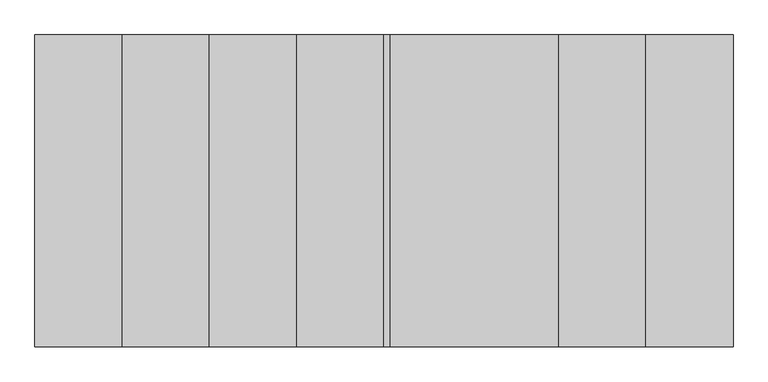
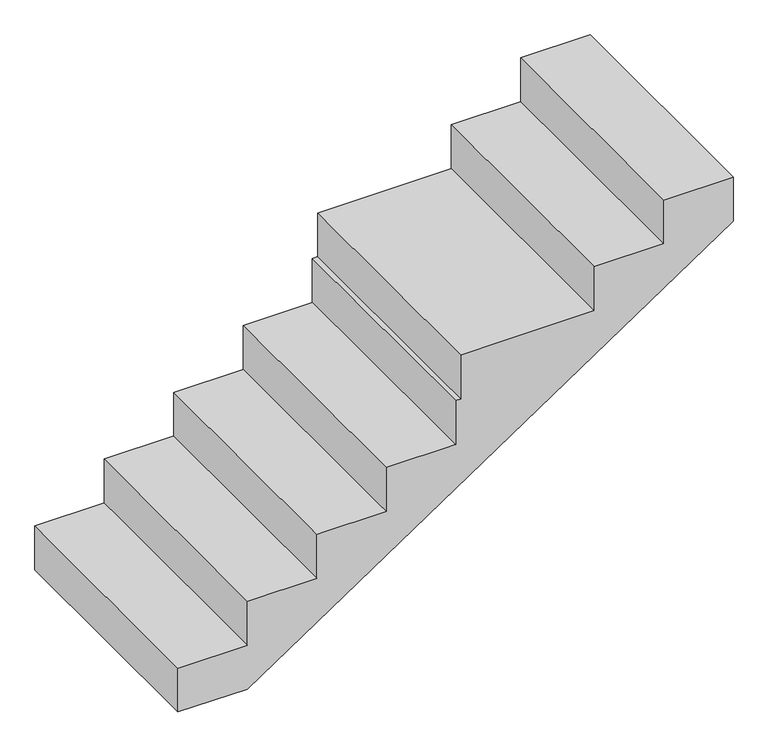
"""IFC4 building model written with IfcOpenShell, lengths in millimetres: stair geometry."""

from ifc_helpers import new_model, si_unit, frame, origin, place, context, project, spatial, polyline, outline, extrude, source, transform, mapped, element, save


def stair_2416ca9e(model_context):
    return source(origin(), model_context, "Body", "SweptSolid", [
        extrude(outline(polyline([(0.0, 5394.1127713), (-187.5, 5394.1127713), (-187.5, 5114.1127713), (-375.0, 5114.1127713), (-375.0, 4574.6415664), (-562.5, 4574.6415664), (-562.5, 4554.1127713), (-750.0, 4554.1127713), (-750.0, 4274.1127713), (-937.5, 4274.1127713), (-937.5, 3994.1127713), (-1125.0, 3994.1127713), (-1125.0, 3714.1127713), (-1312.5, 3714.1127713), (-1312.5, 3434.1127713), (-1500.0, 3434.1127713), (-1500.0, 3714.1127713), (-187.5, 5674.1127713), (0.0, 5674.1127713), (0.0, 5394.1127713)])), frame((0.0, 1200.0, 0.0), z_axis=(0.0, 1.0, 0.0), x_axis=(0.0, 0.0, 1.0)), (0.0, 0.0, 1.0), 1000.0),
    ])


if __name__ == "__main__":
    model = new_model("IFC4")
    model_context = context("Model", 3, world=origin())
    ifc_project = project(units=[si_unit("LENGTHUNIT", "METRE", prefix="MILLI")], contexts=[model_context])
    site = spatial("IfcSite", under=ifc_project)
    building = spatial("IfcBuilding", under=site)
    placement = place(None, origin())
    stair_shape = stair_2416ca9e(model_context)
    element("IfcStair", 1, at=placement, inside=building, context=model_context, shape_type="MappedRepresentation", body=[
        mapped(stair_shape, transform((0.0, 0.0, 0.0), x_axis=(1.0, 0.0, 0.0), y_axis=(0.0, 1.0, 0.0), z_axis=(0.0, 0.0, 1.0))),
    ])
    save(model, "model.ifc")
